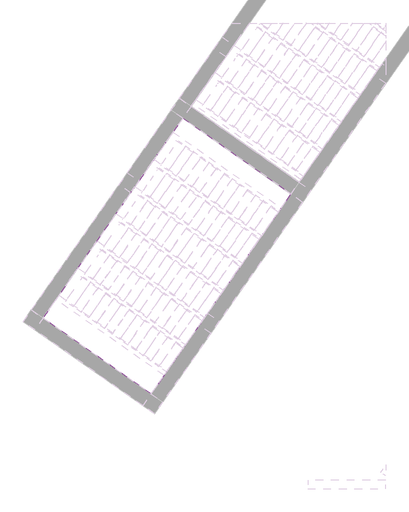
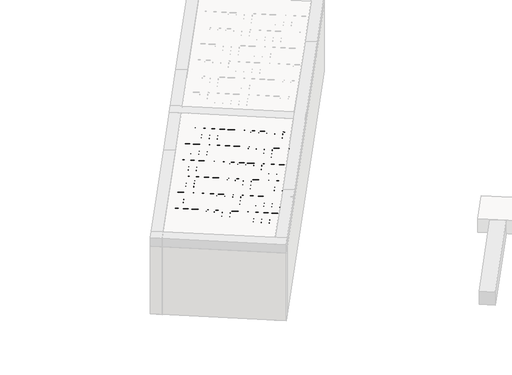
# One storey, part 2 of 6: 1 slab.
"""IFC4 building model written with IfcOpenShell, lengths in millimetres."""

from ifc_helpers import new_model, si_unit, frame, origin, place, context, project, spatial, polyline, outline, extrude, element, save

model = new_model("IFC4")

# Units and contexts
model_context = context("Model", 3, world=origin())
ifc_project = project(units=[si_unit("LENGTHUNIT", "METRE", prefix="MILLI")], contexts=[model_context])

# Site, building, storey
site = spatial("IfcSite", under=ifc_project)
building = spatial("IfcBuilding", under=site)
storey = spatial("IfcBuildingStorey", under=building, Elevation=93640.0)

# Slab
placement = place(None, origin())
element("IfcSlab", 1, at=placement, inside=storey, context=model_context, shape_type="SweptSolid", body=[
    extrude(outline(polyline([(29.5013912, 47.0318266), (24.7445699, 43.4584287), (22.859371, 37.8155084), (21.5, -28.884294), (35.0000001, -58.884294), (35.0000001, -88.884294), (30.0, -93.884294), (-29.9999999, -93.884294), (-34.9999999, -88.884294), (-34.9999999, -58.884294), (-21.4999999, -28.884294), (-22.859371, 37.8155084), (-24.7445697, 43.4584287), (-29.5013912, 47.0318266), (-55.0, 56.115706), (-55.0, 86.115706), (55.0, 86.115706), (55.0, 56.115706), (29.5013912, 47.0318266)])), frame((1222.726653, 1208.5119151, 95776.115706), z_axis=(-0.8191520442696125, 0.5735764363787225, 0.0), x_axis=(0.5735764363787225, 0.8191520442696125, 0.0)), (0.0, 0.0, 1.0), 2784.44855),
    extrude(outline(polyline([(29.5013912, 47.0318266), (24.7445698, 43.4584287), (22.859371, 37.8155084), (21.5, -28.884294), (35.0, -58.884294), (35.0, -88.884294), (30.0, -93.884294), (-30.0, -93.884294), (-35.0000001, -88.884294), (-35.0000001, -58.884294), (-21.5, -28.884294), (-22.859371, 37.8155084), (-24.7445699, 43.4584287), (-29.5013912, 47.0318266), (-55.0, 56.115706), (-55.0, 86.115706), (55.0, 86.115706), (55.0, 56.115706), (29.5013912, 47.0318266)])), frame((1624.2301585, 1781.9183461, 95776.115706), z_axis=(-0.8191520442696125, 0.5735764363787225, 0.0), x_axis=(0.5735764363787225, 0.8191520442696125, 0.0)), (0.0, 0.0, 1.0), 2784.44855),
    extrude(outline(polyline([(29.5013912, 47.0318266), (24.7445698, 43.4584287), (22.8593709, 37.8155084), (21.5, -28.884294), (34.9999999, -58.884294), (34.9999999, -88.884294), (30.0, -93.884294), (-30.0, -93.884294), (-35.0000001, -88.884294), (-35.0000001, -58.884294), (-21.5, -28.884294), (-22.859371, 37.8155084), (-24.7445699, 43.4584287), (-29.5013913, 47.0318266), (-55.0000001, 56.115706), (-55.0000001, 86.115706), (55.0, 86.115706), (55.0, 56.115706), (29.5013912, 47.0318266)])), frame((2025.733664, 2355.3247771, 95776.115706), z_axis=(-0.8191520442696125, 0.5735764363787225, 0.0), x_axis=(0.5735764363787225, 0.8191520442696125, 0.0)), (0.0, 0.0, 1.0), 2784.44855),
    extrude(outline(polyline([(29.5013912, 47.0318266), (24.7445698, 43.4584287), (22.859371, 37.8155084), (21.5, -28.884294), (35.0, -58.884294), (35.0, -88.884294), (30.0, -93.884294), (-30.0000001, -93.884294), (-35.0, -88.884294), (-35.0, -58.884294), (-21.5, -28.884294), (-22.859371, 37.8155084), (-24.7445698, 43.4584287), (-29.5013913, 47.0318266), (-55.0000001, 56.115706), (-55.0000001, 86.115706), (55.0, 86.115706), (55.0, 56.115706), (29.5013912, 47.0318266)])), frame((2427.2371694, 2928.7312081, 95776.115706), z_axis=(-0.8191520442696125, 0.5735764363787225, 0.0), x_axis=(0.5735764363787225, 0.8191520442696125, 0.0)), (0.0, 0.0, 1.0), 2784.44855),
    extrude(outline(polyline([(29.5013912, 47.0318266), (24.7445698, 43.4584287), (22.8593709, 37.8155084), (21.5, -28.884294), (35.0, -58.884294), (35.0, -88.884294), (30.0, -93.884294), (-30.0000001, -93.884294), (-35.0000001, -88.884294), (-35.0000001, -58.884294), (-21.5, -28.884294), (-22.859371, 37.8155084), (-24.7445699, 43.4584287), (-29.5013913, 47.0318266), (-55.0000001, 56.115706), (-55.0000001, 86.115706), (55.0, 86.115706), (55.0, 56.115706), (29.5013912, 47.0318266)])), frame((2828.7406749, 3502.1376391, 95776.115706), z_axis=(-0.8191520442696125, 0.5735764363787225, 0.0), x_axis=(0.5735764363787225, 0.8191520442696125, 0.0)), (0.0, 0.0, 1.0), 2784.44855),
    extrude(outline(polyline([(29.5013912, 47.0318266), (24.7445697, 43.4584287), (22.8593709, 37.8155084), (21.5, -28.884294), (34.9999999, -58.884294), (34.9999999, -88.884294), (30.0, -93.884294), (-30.0000001, -93.884294), (-35.0000001, -88.884294), (-35.0000001, -58.884294), (-21.5, -28.884294), (-22.859371, 37.8155084), (-24.7445699, 43.4584287), (-29.5013913, 47.0318266), (-55.0000001, 56.115706), (-55.0000001, 86.115706), (55.0, 86.115706), (55.0, 56.115706), (29.5013912, 47.0318266)])), frame((3230.2441804, 4075.5440701, 95776.115706), z_axis=(-0.8191520442696125, 0.5735764363787225, 0.0), x_axis=(0.5735764363787225, 0.8191520442696125, 0.0)), (0.0, 0.0, 1.0), 2784.44855),
    extrude(outline(polyline([(29.5013913, 47.0318266), (24.7445699, 43.4584287), (22.859371, 37.8155084), (21.5, -28.884294), (35.0000001, -58.884294), (35.0000001, -88.884294), (30.0000001, -93.884294), (-30.0, -93.884294), (-34.9999999, -88.884294), (-34.9999999, -58.884294), (-21.4999999, -28.884294), (-22.8593709, 37.8155084), (-24.7445697, 43.4584287), (-29.5013912, 47.0318266), (-55.0, 56.115706), (-55.0, 86.115706), (55.0000001, 86.115706), (55.0000001, 56.115706), (29.5013913, 47.0318266)])), frame((3631.7476858, 4648.950501, 95776.115706), z_axis=(-0.8191520442696125, 0.5735764363787225, 0.0), x_axis=(0.5735764363787225, 0.8191520442696125, 0.0)), (0.0, 0.0, 1.0), 2784.44855),
    extrude(outline(polyline([(488.0726392, 5013.8551515), (660.1455701, 5259.6007648), (1588.895185, 6585.992676), (3869.7819069, 4988.8985994), (2107.736694, 2472.437241), (1935.6637631, 2226.6916277), (918.0402288, 773.3746057), (-1362.8464931, 2370.4686823), (488.0726392, 5013.8551515)])), frame((0.0, 0.0, 95690.0), z_axis=(0.0, 0.0, 1.0), x_axis=(1.0, 0.0, 0.0)), (0.0, 0.0, 1.0), 250.0),
    extrude(outline(polyline([(-295.0000001, 58.1660714), (-295.0000001, 89.9723214), (295.0, 89.9723214), (295.0, 58.1660714), (318.0, 49.9723214), (318.0, 29.9723214), (277.0, -18.0276786), (256.0, -100.0276786), (240.0, -110.0276786), (-240.0, -110.0276786), (-256.0, -100.0276786), (-277.0, -18.0276786), (-318.0, 29.9723214), (-318.0, 49.9723214), (-295.0000001, 58.1660714)])), frame((1423.4784058, 1495.2151306, 95778.1660714), z_axis=(-0.8191520442696126, 0.5735764363787226, 0.0), x_axis=(0.5735764363787226, 0.8191520442696126, 0.0)), (0.0, 0.0, 1.0), 195.0),
    extrude(outline(polyline([(-295.0, 58.1660714), (-295.0, 89.9723214), (295.0, 89.9723214), (295.0, 58.1660714), (318.0, 49.9723214), (318.0, 29.9723214), (277.0, -18.0276786), (256.0, -100.0276786), (240.0, -110.0276786), (-240.0, -110.0276786), (-256.0, -100.0276786), (-277.0, -18.0276786), (-318.0, 29.9723214), (-318.0, 49.9723214), (-295.0, 58.1660714)])), frame((1259.6479969, 1609.9304179, 95778.1660714), z_axis=(-0.8191520442696126, 0.5735764363787226, 0.0), x_axis=(0.5735764363787226, 0.8191520442696126, 0.0)), (0.0, 0.0, 1.0), 195.0),
    extrude(outline(polyline([(-295.0000001, 58.1660714), (-295.0000001, 89.9723214), (294.9999999, 89.9723214), (294.9999999, 58.1660714), (317.9999999, 49.9723214), (317.9999999, 29.9723214), (276.9999999, -18.0276786), (256.0, -100.0276786), (240.0, -110.0276786), (-240.0000001, -110.0276786), (-256.0, -100.0276786), (-277.0, -18.0276786), (-318.0, 29.9723214), (-318.0, 49.9723214), (-295.0000001, 58.1660714)])), frame((1095.8175881, 1724.6457052, 95778.1660714), z_axis=(-0.8191520442696126, 0.5735764363787226, 0.0), x_axis=(0.5735764363787226, 0.8191520442696126, 0.0)), (0.0, 0.0, 1.0), 195.0),
    extrude(outline(polyline([(-294.9999999, 58.1660714), (-294.9999999, 89.9723214), (295.0, 89.9723214), (295.0, 58.1660714), (318.0, 49.9723214), (318.0, 29.9723214), (277.0, -18.0276786), (256.0, -100.0276786), (240.0, -110.0276786), (-240.0, -110.0276786), (-256.0, -100.0276786), (-277.0, -18.0276786), (-318.0, 29.9723214), (-318.0, 49.9723214), (-294.9999999, 58.1660714)])), frame((931.9871792, 1839.3609924, 95778.1660714), z_axis=(-0.8191520442696126, 0.5735764363787226, 0.0), x_axis=(0.5735764363787226, 0.8191520442696126, 0.0)), (0.0, 0.0, 1.0), 195.0),
    extrude(outline(polyline([(-295.0000001, 58.1660714), (-295.0000001, 89.9723214), (295.0, 89.9723214), (295.0, 58.1660714), (318.0, 49.9723214), (318.0, 29.9723214), (277.0, -18.0276786), (256.0, -100.0276786), (240.0, -110.0276786), (-240.0, -110.0276786), (-256.0, -100.0276786), (-277.0, -18.0276786), (-318.0, 29.9723214), (-318.0, 49.9723214), (-295.0000001, 58.1660714)])), frame((768.1567704, 1954.0762797, 95778.1660714), z_axis=(-0.8191520442696126, 0.5735764363787226, 0.0), x_axis=(0.5735764363787226, 0.8191520442696126, 0.0)), (0.0, 0.0, 1.0), 195.0),
    extrude(outline(polyline([(-295.0, 58.1660714), (-295.0, 89.9723214), (294.9999999, 89.9723214), (294.9999999, 58.1660714), (318.0, 49.9723214), (318.0, 29.9723214), (277.0, -18.0276786), (256.0, -100.0276786), (240.0, -110.0276786), (-240.0, -110.0276786), (-256.0, -100.0276786), (-277.0, -18.0276786), (-318.0, 29.9723214), (-318.0, 49.9723214), (-295.0, 58.1660714)])), frame((604.3263615, 2068.791567, 95778.1660714), z_axis=(-0.8191520442696126, 0.5735764363787226, 0.0), x_axis=(0.5735764363787226, 0.8191520442696126, 0.0)), (0.0, 0.0, 1.0), 195.0),
    extrude(outline(polyline([(-295.0000001, 58.1660714), (-295.0000001, 89.9723214), (294.9999999, 89.9723214), (294.9999999, 58.1660714), (317.9999999, 49.9723214), (317.9999999, 29.9723214), (276.9999999, -18.0276786), (256.0, -100.0276786), (240.0, -110.0276786), (-240.0000001, -110.0276786), (-256.0000001, -100.0276786), (-277.0, -18.0276786), (-318.0, 29.9723214), (-318.0, 49.9723214), (-295.0000001, 58.1660714)])), frame((440.4959527, 2183.5068543, 95778.1660714), z_axis=(-0.8191520442696126, 0.5735764363787226, 0.0), x_axis=(0.5735764363787226, 0.8191520442696126, 0.0)), (0.0, 0.0, 1.0), 195.0),
    extrude(outline(polyline([(-294.9999999, 58.1660714), (-294.9999999, 89.9723214), (295.0, 89.9723214), (295.0, 58.1660714), (318.0, 49.9723214), (318.0, 29.9723214), (277.0, -18.0276786), (256.0, -100.0276786), (240.0, -110.0276786), (-240.0, -110.0276786), (-256.0, -100.0276786), (-277.0, -18.0276786), (-318.0, 29.9723214), (-318.0, 49.9723214), (-294.9999999, 58.1660714)])), frame((276.6655438, 2298.2221415, 95778.1660714), z_axis=(-0.8191520442696126, 0.5735764363787226, 0.0), x_axis=(0.5735764363787226, 0.8191520442696126, 0.0)), (0.0, 0.0, 1.0), 195.0),
    extrude(outline(polyline([(-295.0, 58.1660714), (-295.0, 89.9723214), (295.0000001, 89.9723214), (295.0000001, 58.1660714), (318.0, 49.9723214), (318.0, 29.9723214), (277.0, -18.0276786), (256.0, -100.0276786), (240.0, -110.0276786), (-240.0, -110.0276786), (-256.0, -100.0276786), (-277.0, -18.0276786), (-318.0, 29.9723214), (-318.0, 49.9723214), (-295.0, 58.1660714)])), frame((112.8351349, 2412.9374288, 95778.1660714), z_axis=(-0.8191520442696126, 0.5735764363787226, 0.0), x_axis=(0.5735764363787226, 0.8191520442696126, 0.0)), (0.0, 0.0, 1.0), 195.0),
    extrude(outline(polyline([(-295.0, 58.1660714), (-295.0, 89.9723214), (294.9999999, 89.9723214), (294.9999999, 58.1660714), (318.0, 49.9723214), (318.0, 29.9723214), (277.0, -18.0276786), (256.0, -100.0276786), (240.0, -110.0276786), (-240.0, -110.0276786), (-256.0, -100.0276786), (-277.0, -18.0276786), (-318.0, 29.9723214), (-318.0, 49.9723214), (-295.0, 58.1660714)])), frame((-50.9952739, 2527.6527161, 95778.1660714), z_axis=(-0.8191520442696126, 0.5735764363787226, 0.0), x_axis=(0.5735764363787226, 0.8191520442696126, 0.0)), (0.0, 0.0, 1.0), 195.0),
    extrude(outline(polyline([(-295.0, 58.1660714), (-295.0, 89.9723214), (295.0, 89.9723214), (295.0, 58.1660714), (318.0, 49.9723214), (318.0, 29.9723214), (277.0, -18.0276786), (256.0, -100.0276786), (240.0, -110.0276786), (-240.0, -110.0276786), (-256.0, -100.0276786), (-277.0, -18.0276786), (-318.0, 29.9723214), (-318.0, 49.9723214), (-295.0, 58.1660714)])), frame((-214.8256828, 2642.3680034, 95778.1660714), z_axis=(-0.8191520442696126, 0.5735764363787226, 0.0), x_axis=(0.5735764363787226, 0.8191520442696126, 0.0)), (0.0, 0.0, 1.0), 195.0),
    extrude(outline(polyline([(-294.9999999, 58.1660714), (-294.9999999, 89.9723214), (295.0, 89.9723214), (295.0, 58.1660714), (318.0, 49.9723214), (318.0, 29.9723214), (277.0, -18.0276786), (256.0, -100.0276786), (240.0, -110.0276786), (-240.0, -110.0276786), (-256.0, -100.0276786), (-277.0, -18.0276786), (-318.0, 29.9723214), (-318.0, 49.9723214), (-294.9999999, 58.1660714)])), frame((-378.6560916, 2757.0832906, 95778.1660714), z_axis=(-0.8191520442696126, 0.5735764363787226, 0.0), x_axis=(0.5735764363787226, 0.8191520442696126, 0.0)), (0.0, 0.0, 1.0), 195.0),
    extrude(outline(polyline([(-294.9999999, 58.1660714), (-294.9999999, 89.9723214), (295.0000001, 89.9723214), (295.0000001, 58.1660714), (318.0, 49.9723214), (318.0, 29.9723214), (277.0, -18.0276786), (256.0, -100.0276786), (240.0, -110.0276786), (-240.0, -110.0276786), (-256.0, -100.0276786), (-277.0, -18.0276786), (-318.0, 29.9723214), (-318.0, 49.9723214), (-294.9999999, 58.1660714)])), frame((-542.4865005, 2871.7985779, 95778.1660714), z_axis=(-0.8191520442696126, 0.5735764363787226, 0.0), x_axis=(0.5735764363787226, 0.8191520442696126, 0.0)), (0.0, 0.0, 1.0), 195.0),
    extrude(outline(polyline([(-295.0, 58.1660714), (-295.0, 89.9723214), (295.0, 89.9723214), (295.0, 58.1660714), (318.0, 49.9723214), (318.0, 29.9723214), (277.0, -18.0276786), (256.0, -100.0276786), (240.0, -110.0276786), (-240.0, -110.0276786), (-256.0, -100.0276786), (-277.0, -18.0276786), (-318.0, 29.9723214), (-318.0, 49.9723214), (-295.0, 58.1660714)])), frame((1824.9819112, 2068.6215616, 95778.1660714), z_axis=(-0.8191520442696126, 0.5735764363787226, 0.0), x_axis=(0.5735764363787226, 0.8191520442696126, 0.0)), (0.0, 0.0, 1.0), 195.0),
    extrude(outline(polyline([(-295.0, 58.1660714), (-295.0, 89.9723214), (294.9999999, 89.9723214), (294.9999999, 58.1660714), (318.0, 49.9723214), (318.0, 29.9723214), (277.0, -18.0276786), (256.0, -100.0276786), (240.0, -110.0276786), (-240.0, -110.0276786), (-256.0, -100.0276786), (-277.0, -18.0276786), (-318.0, 29.9723214), (-318.0, 49.9723214), (-295.0, 58.1660714)])), frame((1661.1515024, 2183.3368489, 95778.1660714), z_axis=(-0.8191520442696126, 0.5735764363787226, 0.0), x_axis=(0.5735764363787226, 0.8191520442696126, 0.0)), (0.0, 0.0, 1.0), 195.0),
    extrude(outline(polyline([(-294.9999999, 58.1660714), (-294.9999999, 89.9723214), (295.0000001, 89.9723214), (295.0000001, 58.1660714), (318.0, 49.9723214), (318.0, 29.9723214), (277.0, -18.0276786), (256.0, -100.0276786), (240.0000001, -110.0276786), (-240.0, -110.0276786), (-256.0, -100.0276786), (-276.9999999, -18.0276786), (-317.9999999, 29.9723214), (-317.9999999, 49.9723214), (-294.9999999, 58.1660714)])), frame((1497.3210935, 2298.0521361, 95778.1660714), z_axis=(-0.8191520442696126, 0.5735764363787226, 0.0), x_axis=(0.5735764363787226, 0.8191520442696126, 0.0)), (0.0, 0.0, 1.0), 195.0),
    extrude(outline(polyline([(-295.0, 58.1660714), (-295.0, 89.9723214), (295.0, 89.9723214), (295.0, 58.1660714), (318.0, 49.9723214), (318.0, 29.9723214), (277.0, -18.0276786), (256.0, -100.0276786), (240.0, -110.0276786), (-240.0, -110.0276786), (-256.0, -100.0276786), (-277.0, -18.0276786), (-318.0, 29.9723214), (-318.0, 49.9723214), (-295.0, 58.1660714)])), frame((1333.4906847, 2412.7674234, 95778.1660714), z_axis=(-0.8191520442696126, 0.5735764363787226, 0.0), x_axis=(0.5735764363787226, 0.8191520442696126, 0.0)), (0.0, 0.0, 1.0), 195.0),
    extrude(outline(polyline([(-295.0, 58.1660714), (-295.0, 89.9723214), (295.0000001, 89.9723214), (295.0000001, 58.1660714), (318.0, 49.9723214), (318.0, 29.9723214), (277.0, -18.0276786), (256.0, -100.0276786), (240.0, -110.0276786), (-240.0, -110.0276786), (-256.0, -100.0276786), (-277.0, -18.0276786), (-318.0, 29.9723214), (-318.0, 49.9723214), (-295.0, 58.1660714)])), frame((1169.6602758, 2527.4827107, 95778.1660714), z_axis=(-0.8191520442696126, 0.5735764363787226, 0.0), x_axis=(0.5735764363787226, 0.8191520442696126, 0.0)), (0.0, 0.0, 1.0), 195.0),
    extrude(outline(polyline([(-295.0000001, 58.1660714), (-295.0000001, 89.9723214), (294.9999999, 89.9723214), (294.9999999, 58.1660714), (317.9999999, 49.9723214), (317.9999999, 29.9723214), (276.9999999, -18.0276786), (256.0, -100.0276786), (240.0, -110.0276786), (-240.0000001, -110.0276786), (-256.0, -100.0276786), (-277.0, -18.0276786), (-318.0, 29.9723214), (-318.0, 49.9723214), (-295.0000001, 58.1660714)])), frame((1005.829867, 2642.197998, 95778.1660714), z_axis=(-0.8191520442696126, 0.5735764363787226, 0.0), x_axis=(0.5735764363787226, 0.8191520442696126, 0.0)), (0.0, 0.0, 1.0), 195.0),
    extrude(outline(polyline([(-294.9999999, 58.1660714), (-294.9999999, 89.9723214), (295.0000001, 89.9723214), (295.0000001, 58.1660714), (318.0, 49.9723214), (318.0, 29.9723214), (277.0, -18.0276786), (256.0, -100.0276786), (240.0, -110.0276786), (-240.0, -110.0276786), (-256.0, -100.0276786), (-277.0, -18.0276786), (-317.9999999, 29.9723214), (-317.9999999, 49.9723214), (-294.9999999, 58.1660714)])), frame((841.9994581, 2756.9132852, 95778.1660714), z_axis=(-0.8191520442696126, 0.5735764363787226, 0.0), x_axis=(0.5735764363787226, 0.8191520442696126, 0.0)), (0.0, 0.0, 1.0), 195.0),
    extrude(outline(polyline([(-295.0, 58.1660714), (-295.0, 89.9723214), (295.0, 89.9723214), (295.0, 58.1660714), (318.0, 49.9723214), (318.0, 29.9723214), (277.0, -18.0276786), (256.0, -100.0276786), (240.0, -110.0276786), (-240.0, -110.0276786), (-256.0, -100.0276786), (-277.0, -18.0276786), (-318.0, 29.9723214), (-318.0, 49.9723214), (-295.0, 58.1660714)])), frame((678.1690493, 2871.6285725, 95778.1660714), z_axis=(-0.8191520442696126, 0.5735764363787226, 0.0), x_axis=(0.5735764363787226, 0.8191520442696126, 0.0)), (0.0, 0.0, 1.0), 195.0),
    extrude(outline(polyline([(-295.0, 58.1660714), (-295.0, 89.9723214), (295.0, 89.9723214), (295.0, 58.1660714), (318.0, 49.9723214), (318.0, 29.9723214), (277.0, -18.0276786), (256.0, -100.0276786), (240.0, -110.0276786), (-240.0, -110.0276786), (-256.0, -100.0276786), (-277.0, -18.0276786), (-318.0, 29.9723214), (-318.0, 49.9723214), (-295.0, 58.1660714)])), frame((514.3386404, 2986.3438598, 95778.1660714), z_axis=(-0.8191520442696126, 0.5735764363787226, 0.0), x_axis=(0.5735764363787226, 0.8191520442696126, 0.0)), (0.0, 0.0, 1.0), 195.0),
    extrude(outline(polyline([(-295.0000001, 58.1660714), (-295.0000001, 89.9723214), (294.9999999, 89.9723214), (294.9999999, 58.1660714), (317.9999999, 49.9723214), (317.9999999, 29.9723214), (276.9999999, -18.0276786), (256.0, -100.0276786), (240.0, -110.0276786), (-240.0000001, -110.0276786), (-256.0000001, -100.0276786), (-277.0, -18.0276786), (-318.0, 29.9723214), (-318.0, 49.9723214), (-295.0000001, 58.1660714)])), frame((350.5082316, 3101.0591471, 95778.1660714), z_axis=(-0.8191520442696126, 0.5735764363787226, 0.0), x_axis=(0.5735764363787226, 0.8191520442696126, 0.0)), (0.0, 0.0, 1.0), 195.0),
    extrude(outline(polyline([(-294.9999999, 58.1660714), (-294.9999999, 89.9723214), (295.0, 89.9723214), (295.0, 58.1660714), (318.0, 49.9723214), (318.0, 29.9723214), (277.0, -18.0276786), (256.0, -100.0276786), (240.0, -110.0276786), (-240.0, -110.0276786), (-256.0, -100.0276786), (-277.0, -18.0276786), (-318.0, 29.9723214), (-318.0, 49.9723214), (-294.9999999, 58.1660714)])), frame((186.6778227, 3215.7744343, 95778.1660714), z_axis=(-0.8191520442696126, 0.5735764363787226, 0.0), x_axis=(0.5735764363787226, 0.8191520442696126, 0.0)), (0.0, 0.0, 1.0), 195.0),
    extrude(outline(polyline([(-294.9999999, 58.1660714), (-294.9999999, 89.9723214), (295.0000001, 89.9723214), (295.0000001, 58.1660714), (318.0, 49.9723214), (318.0, 29.9723214), (277.0, -18.0276786), (256.0000001, -100.0276786), (240.0, -110.0276786), (-240.0, -110.0276786), (-256.0, -100.0276786), (-276.9999999, -18.0276786), (-318.0, 29.9723214), (-318.0, 49.9723214), (-294.9999999, 58.1660714)])), frame((22.8474138, 3330.4897216, 95778.1660714), z_axis=(-0.8191520442696126, 0.5735764363787226, 0.0), x_axis=(0.5735764363787226, 0.8191520442696126, 0.0)), (0.0, 0.0, 1.0), 195.0),
    extrude(outline(polyline([(-295.0, 58.1660714), (-295.0, 89.9723214), (295.0, 89.9723214), (295.0, 58.1660714), (318.0, 49.9723214), (318.0, 29.9723214), (277.0, -18.0276786), (256.0, -100.0276786), (240.0, -110.0276786), (-240.0, -110.0276786), (-256.0, -100.0276786), (-277.0, -18.0276786), (-318.0, 29.9723214), (-318.0, 49.9723214), (-295.0, 58.1660714)])), frame((-140.982995, 3445.2050089, 95778.1660714), z_axis=(-0.8191520442696126, 0.5735764363787226, 0.0), x_axis=(0.5735764363787226, 0.8191520442696126, 0.0)), (0.0, 0.0, 1.0), 195.0),
    extrude(outline(polyline([(-295.0, 58.1660714), (-295.0, 89.9723214), (294.9999999, 89.9723214), (294.9999999, 58.1660714), (318.0, 49.9723214), (318.0, 29.9723214), (277.0, -18.0276786), (256.0, -100.0276786), (240.0, -110.0276786), (-240.0, -110.0276786), (-256.0, -100.0276786), (-277.0, -18.0276786), (-318.0, 29.9723214), (-318.0, 49.9723214), (-295.0, 58.1660714)])), frame((2226.4854167, 2642.0279926, 95778.1660714), z_axis=(-0.8191520442696126, 0.5735764363787226, 0.0), x_axis=(0.5735764363787226, 0.8191520442696126, 0.0)), (0.0, 0.0, 1.0), 195.0),
    extrude(outline(polyline([(-295.0000001, 58.1660714), (-295.0000001, 89.9723214), (294.9999999, 89.9723214), (294.9999999, 58.1660714), (317.9999999, 49.9723214), (317.9999999, 29.9723214), (276.9999999, -18.0276786), (256.0, -100.0276786), (240.0, -110.0276786), (-240.0000001, -110.0276786), (-256.0000001, -100.0276786), (-277.0, -18.0276786), (-318.0, 29.9723214), (-318.0, 49.9723214), (-295.0000001, 58.1660714)])), frame((2062.6550079, 2756.7432799, 95778.1660714), z_axis=(-0.8191520442696126, 0.5735764363787226, 0.0), x_axis=(0.5735764363787226, 0.8191520442696126, 0.0)), (0.0, 0.0, 1.0), 195.0),
    extrude(outline(polyline([(-294.9999999, 58.1660714), (-294.9999999, 89.9723214), (295.0, 89.9723214), (295.0, 58.1660714), (318.0, 49.9723214), (318.0, 29.9723214), (277.0, -18.0276786), (256.0, -100.0276786), (240.0, -110.0276786), (-240.0, -110.0276786), (-256.0, -100.0276786), (-277.0, -18.0276786), (-318.0, 29.9723214), (-318.0, 49.9723214), (-294.9999999, 58.1660714)])), frame((1898.824599, 2871.4585671, 95778.1660714), z_axis=(-0.8191520442696126, 0.5735764363787226, 0.0), x_axis=(0.5735764363787226, 0.8191520442696126, 0.0)), (0.0, 0.0, 1.0), 195.0),
    extrude(outline(polyline([(-295.0, 58.1660714), (-295.0, 89.9723214), (295.0000001, 89.9723214), (295.0000001, 58.1660714), (318.0, 49.9723214), (318.0, 29.9723214), (277.0, -18.0276786), (256.0, -100.0276786), (240.0, -110.0276786), (-240.0, -110.0276786), (-256.0, -100.0276786), (-277.0, -18.0276786), (-318.0, 29.9723214), (-318.0, 49.9723214), (-295.0, 58.1660714)])), frame((1734.9941901, 2986.1738544, 95778.1660714), z_axis=(-0.8191520442696126, 0.5735764363787226, 0.0), x_axis=(0.5735764363787226, 0.8191520442696126, 0.0)), (0.0, 0.0, 1.0), 195.0),
    extrude(outline(polyline([(-295.0, 58.1660714), (-295.0, 89.9723214), (294.9999999, 89.9723214), (294.9999999, 58.1660714), (318.0, 49.9723214), (318.0, 29.9723214), (277.0, -18.0276786), (256.0, -100.0276786), (240.0, -110.0276786), (-240.0, -110.0276786), (-256.0, -100.0276786), (-277.0, -18.0276786), (-318.0, 29.9723214), (-318.0, 49.9723214), (-295.0, 58.1660714)])), frame((1571.1637813, 3100.8891417, 95778.1660714), z_axis=(-0.8191520442696126, 0.5735764363787226, 0.0), x_axis=(0.5735764363787226, 0.8191520442696126, 0.0)), (0.0, 0.0, 1.0), 195.0),
    extrude(outline(polyline([(-295.0, 58.1660714), (-295.0, 89.9723214), (295.0, 89.9723214), (295.0, 58.1660714), (318.0, 49.9723214), (318.0, 29.9723214), (277.0, -18.0276786), (256.0, -100.0276786), (240.0, -110.0276786), (-240.0, -110.0276786), (-256.0, -100.0276786), (-277.0, -18.0276786), (-318.0, 29.9723214), (-318.0, 49.9723214), (-295.0, 58.1660714)])), frame((1407.3333724, 3215.604429, 95778.1660714), z_axis=(-0.8191520442696126, 0.5735764363787226, 0.0), x_axis=(0.5735764363787226, 0.8191520442696126, 0.0)), (0.0, 0.0, 1.0), 195.0),
    extrude(outline(polyline([(-294.9999999, 58.1660714), (-294.9999999, 89.9723214), (295.0, 89.9723214), (295.0, 58.1660714), (318.0, 49.9723214), (318.0, 29.9723214), (277.0, -18.0276786), (256.0, -100.0276786), (240.0, -110.0276786), (-240.0, -110.0276786), (-256.0, -100.0276786), (-277.0, -18.0276786), (-318.0, 29.9723214), (-318.0, 49.9723214), (-294.9999999, 58.1660714)])), frame((1243.5029636, 3330.3197162, 95778.1660714), z_axis=(-0.8191520442696126, 0.5735764363787226, 0.0), x_axis=(0.5735764363787226, 0.8191520442696126, 0.0)), (0.0, 0.0, 1.0), 195.0),
    extrude(outline(polyline([(-295.0, 58.1660714), (-295.0, 89.9723214), (295.0000001, 89.9723214), (295.0000001, 58.1660714), (318.0, 49.9723214), (318.0, 29.9723214), (277.0, -18.0276786), (256.0, -100.0276786), (240.0, -110.0276786), (-240.0, -110.0276786), (-256.0, -100.0276786), (-277.0, -18.0276786), (-318.0, 29.9723214), (-318.0, 49.9723214), (-295.0, 58.1660714)])), frame((1079.6725547, 3445.0350035, 95778.1660714), z_axis=(-0.8191520442696126, 0.5735764363787226, 0.0), x_axis=(0.5735764363787226, 0.8191520442696126, 0.0)), (0.0, 0.0, 1.0), 195.0),
    extrude(outline(polyline([(-295.0000001, 58.1660714), (-295.0000001, 89.9723214), (294.9999999, 89.9723214), (294.9999999, 58.1660714), (318.0, 49.9723214), (318.0, 29.9723214), (277.0, -18.0276786), (256.0, -100.0276786), (240.0, -110.0276786), (-240.0, -110.0276786), (-256.0, -100.0276786), (-277.0, -18.0276786), (-318.0, 29.9723214), (-318.0, 49.9723214), (-295.0000001, 58.1660714)])), frame((915.8421459, 3559.7502908, 95778.1660714), z_axis=(-0.8191520442696126, 0.5735764363787226, 0.0), x_axis=(0.5735764363787226, 0.8191520442696126, 0.0)), (0.0, 0.0, 1.0), 195.0),
    extrude(outline(polyline([(-295.0, 58.1660714), (-295.0, 89.9723214), (295.0, 89.9723214), (295.0, 58.1660714), (318.0, 49.9723214), (318.0, 29.9723214), (277.0, -18.0276786), (256.0, -100.0276786), (240.0, -110.0276786), (-240.0, -110.0276786), (-256.0, -100.0276786), (-277.0, -18.0276786), (-318.0, 29.9723214), (-318.0, 49.9723214), (-295.0, 58.1660714)])), frame((752.011737, 3674.4655781, 95778.1660714), z_axis=(-0.8191520442696126, 0.5735764363787226, 0.0), x_axis=(0.5735764363787226, 0.8191520442696126, 0.0)), (0.0, 0.0, 1.0), 195.0),
    extrude(outline(polyline([(-295.0, 58.1660714), (-295.0, 89.9723214), (295.0, 89.9723214), (295.0, 58.1660714), (318.0, 49.9723214), (318.0, 29.9723214), (277.0, -18.0276786), (256.0, -100.0276786), (240.0, -110.0276786), (-240.0, -110.0276786), (-256.0, -100.0276786), (-277.0, -18.0276786), (-318.0, 29.9723214), (-318.0, 49.9723214), (-295.0, 58.1660714)])), frame((588.1813282, 3789.1808653, 95778.1660714), z_axis=(-0.8191520442696126, 0.5735764363787226, 0.0), x_axis=(0.5735764363787226, 0.8191520442696126, 0.0)), (0.0, 0.0, 1.0), 195.0),
    extrude(outline(polyline([(-294.9999999, 58.1660714), (-294.9999999, 89.9723214), (295.0, 89.9723214), (295.0, 58.1660714), (318.0, 49.9723214), (318.0, 29.9723214), (277.0, -18.0276786), (256.0, -100.0276786), (240.0, -110.0276786), (-240.0, -110.0276786), (-256.0, -100.0276786), (-277.0, -18.0276786), (-318.0, 29.9723214), (-318.0, 49.9723214), (-294.9999999, 58.1660714)])), frame((424.3509193, 3903.8961526, 95778.1660714), z_axis=(-0.8191520442696126, 0.5735764363787226, 0.0), x_axis=(0.5735764363787226, 0.8191520442696126, 0.0)), (0.0, 0.0, 1.0), 195.0),
    extrude(outline(polyline([(-295.0000001, 58.1660714), (-295.0000001, 89.9723214), (294.9999999, 89.9723214), (294.9999999, 58.1660714), (318.0, 49.9723214), (318.0, 29.9723214), (277.0, -18.0276786), (256.0, -100.0276786), (240.0, -110.0276786), (-240.0, -110.0276786), (-256.0, -100.0276786), (-277.0, -18.0276786), (-318.0, 29.9723214), (-318.0, 49.9723214), (-295.0000001, 58.1660714)])), frame((260.5205105, 4018.6114399, 95778.1660714), z_axis=(-0.8191520442696126, 0.5735764363787226, 0.0), x_axis=(0.5735764363787226, 0.8191520442696126, 0.0)), (0.0, 0.0, 1.0), 195.0),
    extrude(outline(polyline([(-295.0000001, 58.1660714), (-295.0000001, 89.9723214), (294.9999999, 89.9723214), (294.9999999, 58.1660714), (317.9999999, 49.9723214), (317.9999999, 29.9723214), (276.9999999, -18.0276786), (256.0, -100.0276786), (240.0, -110.0276786), (-240.0000001, -110.0276786), (-256.0, -100.0276786), (-277.0, -18.0276786), (-318.0, 29.9723214), (-318.0, 49.9723214), (-295.0000001, 58.1660714)])), frame((2627.9889222, 3215.4344236, 95778.1660714), z_axis=(-0.8191520442696126, 0.5735764363787226, 0.0), x_axis=(0.5735764363787226, 0.8191520442696126, 0.0)), (0.0, 0.0, 1.0), 195.0),
    extrude(outline(polyline([(-294.9999999, 58.1660714), (-294.9999999, 89.9723214), (295.0000001, 89.9723214), (295.0000001, 58.1660714), (318.0, 49.9723214), (318.0, 29.9723214), (277.0, -18.0276786), (256.0, -100.0276786), (240.0, -110.0276786), (-240.0, -110.0276786), (-256.0, -100.0276786), (-277.0, -18.0276786), (-317.9999999, 29.9723214), (-317.9999999, 49.9723214), (-294.9999999, 58.1660714)])), frame((2464.1585133, 3330.1497108, 95778.1660714), z_axis=(-0.8191520442696126, 0.5735764363787226, 0.0), x_axis=(0.5735764363787226, 0.8191520442696126, 0.0)), (0.0, 0.0, 1.0), 195.0),
    extrude(outline(polyline([(-295.0, 58.1660714), (-295.0, 89.9723214), (295.0, 89.9723214), (295.0, 58.1660714), (318.0, 49.9723214), (318.0, 29.9723214), (277.0, -18.0276786), (256.0, -100.0276786), (240.0, -110.0276786), (-240.0, -110.0276786), (-256.0, -100.0276786), (-277.0, -18.0276786), (-318.0, 29.9723214), (-318.0, 49.9723214), (-295.0, 58.1660714)])), frame((2300.3281045, 3444.8649981, 95778.1660714), z_axis=(-0.8191520442696126, 0.5735764363787226, 0.0), x_axis=(0.5735764363787226, 0.8191520442696126, 0.0)), (0.0, 0.0, 1.0), 195.0),
    extrude(outline(polyline([(-295.0, 58.1660714), (-295.0, 89.9723214), (295.0, 89.9723214), (295.0, 58.1660714), (318.0, 49.9723214), (318.0, 29.9723214), (277.0, -18.0276786), (256.0, -100.0276786), (240.0, -110.0276786), (-240.0, -110.0276786), (-256.0, -100.0276786), (-277.0, -18.0276786), (-318.0, 29.9723214), (-318.0, 49.9723214), (-295.0, 58.1660714)])), frame((2136.4976956, 3559.5802854, 95778.1660714), z_axis=(-0.8191520442696126, 0.5735764363787226, 0.0), x_axis=(0.5735764363787226, 0.8191520442696126, 0.0)), (0.0, 0.0, 1.0), 195.0),
    extrude(outline(polyline([(-295.0000001, 58.1660714), (-295.0000001, 89.9723214), (294.9999999, 89.9723214), (294.9999999, 58.1660714), (317.9999999, 49.9723214), (317.9999999, 29.9723214), (276.9999999, -18.0276786), (256.0, -100.0276786), (240.0, -110.0276786), (-240.0000001, -110.0276786), (-256.0000001, -100.0276786), (-277.0, -18.0276786), (-318.0, 29.9723214), (-318.0, 49.9723214), (-295.0000001, 58.1660714)])), frame((1972.6672868, 3674.2955727, 95778.1660714), z_axis=(-0.8191520442696126, 0.5735764363787226, 0.0), x_axis=(0.5735764363787226, 0.8191520442696126, 0.0)), (0.0, 0.0, 1.0), 195.0),
    extrude(outline(polyline([(-294.9999999, 58.1660714), (-294.9999999, 89.9723214), (295.0, 89.9723214), (295.0, 58.1660714), (318.0, 49.9723214), (318.0, 29.9723214), (277.0, -18.0276786), (256.0, -100.0276786), (240.0, -110.0276786), (-240.0, -110.0276786), (-256.0, -100.0276786), (-277.0, -18.0276786), (-318.0, 29.9723214), (-318.0, 49.9723214), (-294.9999999, 58.1660714)])), frame((1808.8368779, 3789.0108599, 95778.1660714), z_axis=(-0.8191520442696126, 0.5735764363787226, 0.0), x_axis=(0.5735764363787226, 0.8191520442696126, 0.0)), (0.0, 0.0, 1.0), 195.0),
    extrude(outline(polyline([(-294.9999999, 58.1660714), (-294.9999999, 89.9723214), (295.0000001, 89.9723214), (295.0000001, 58.1660714), (318.0, 49.9723214), (318.0, 29.9723214), (277.0, -18.0276786), (256.0000001, -100.0276786), (240.0, -110.0276786), (-240.0, -110.0276786), (-256.0, -100.0276786), (-276.9999999, -18.0276786), (-318.0, 29.9723214), (-318.0, 49.9723214), (-294.9999999, 58.1660714)])), frame((1645.006469, 3903.7261472, 95778.1660714), z_axis=(-0.8191520442696126, 0.5735764363787226, 0.0), x_axis=(0.5735764363787226, 0.8191520442696126, 0.0)), (0.0, 0.0, 1.0), 195.0),
    extrude(outline(polyline([(-295.0, 58.1660714), (-295.0, 89.9723214), (295.0, 89.9723214), (295.0, 58.1660714), (318.0, 49.9723214), (318.0, 29.9723214), (277.0, -18.0276786), (256.0, -100.0276786), (240.0, -110.0276786), (-240.0, -110.0276786), (-256.0, -100.0276786), (-277.0, -18.0276786), (-318.0, 29.9723214), (-318.0, 49.9723214), (-295.0, 58.1660714)])), frame((1481.1760602, 4018.4414345, 95778.1660714), z_axis=(-0.8191520442696126, 0.5735764363787226, 0.0), x_axis=(0.5735764363787226, 0.8191520442696126, 0.0)), (0.0, 0.0, 1.0), 195.0),
    extrude(outline(polyline([(-295.0, 58.1660714), (-295.0, 89.9723214), (295.0, 89.9723214), (295.0, 58.1660714), (318.0, 49.9723214), (318.0, 29.9723214), (277.0, -18.0276786), (256.0, -100.0276786), (240.0, -110.0276786), (-240.0, -110.0276786), (-256.0, -100.0276786), (-277.0, -18.0276786), (-318.0, 29.9723214), (-318.0, 49.9723214), (-295.0, 58.1660714)])), frame((1317.3456513, 4133.1567218, 95778.1660714), z_axis=(-0.8191520442696126, 0.5735764363787226, 0.0), x_axis=(0.5735764363787226, 0.8191520442696126, 0.0)), (0.0, 0.0, 1.0), 195.0),
    extrude(outline(polyline([(-294.9999999, 58.1660714), (-294.9999999, 89.9723214), (295.0, 89.9723214), (295.0, 58.1660714), (318.0, 49.9723214), (318.0, 29.9723214), (277.0, -18.0276786), (256.0, -100.0276786), (240.0, -110.0276786), (-240.0, -110.0276786), (-256.0, -100.0276786), (-277.0, -18.0276786), (-318.0, 29.9723214), (-318.0, 49.9723214), (-294.9999999, 58.1660714)])), frame((1153.5152425, 4247.872009, 95778.1660714), z_axis=(-0.8191520442696126, 0.5735764363787226, 0.0), x_axis=(0.5735764363787226, 0.8191520442696126, 0.0)), (0.0, 0.0, 1.0), 195.0),
    extrude(outline(polyline([(-294.9999999, 58.1660714), (-294.9999999, 89.9723214), (295.0000001, 89.9723214), (295.0000001, 58.1660714), (318.0, 49.9723214), (318.0, 29.9723214), (277.0, -18.0276786), (256.0, -100.0276786), (240.0, -110.0276786), (-240.0, -110.0276786), (-256.0, -100.0276786), (-276.9999999, -18.0276786), (-318.0, 29.9723214), (-318.0, 49.9723214), (-294.9999999, 58.1660714)])), frame((989.6848336, 4362.5872963, 95778.1660714), z_axis=(-0.8191520442696126, 0.5735764363787226, 0.0), x_axis=(0.5735764363787226, 0.8191520442696126, 0.0)), (0.0, 0.0, 1.0), 195.0),
    extrude(outline(polyline([(-295.0000001, 58.1660714), (-295.0000001, 89.9723214), (295.0, 89.9723214), (295.0, 58.1660714), (318.0, 49.9723214), (318.0, 29.9723214), (277.0, -18.0276786), (256.0, -100.0276786), (240.0, -110.0276786), (-240.0, -110.0276786), (-256.0, -100.0276786), (-277.0, -18.0276786), (-318.0, 29.9723214), (-318.0, 49.9723214), (-295.0000001, 58.1660714)])), frame((825.8544248, 4477.3025836, 95778.1660714), z_axis=(-0.8191520442696126, 0.5735764363787226, 0.0), x_axis=(0.5735764363787226, 0.8191520442696126, 0.0)), (0.0, 0.0, 1.0), 195.0),
    extrude(outline(polyline([(-295.0, 58.1660714), (-295.0, 89.9723214), (295.0, 89.9723214), (295.0, 58.1660714), (318.0, 49.9723214), (318.0, 29.9723214), (277.0, -18.0276786), (256.0, -100.0276786), (240.0, -110.0276786), (-240.0, -110.0276786), (-256.0, -100.0276786), (-277.0, -18.0276786), (-318.0, 29.9723214), (-318.0, 49.9723214), (-295.0, 58.1660714)])), frame((662.0240159, 4592.0178709, 95778.1660714), z_axis=(-0.8191520442696126, 0.5735764363787226, 0.0), x_axis=(0.5735764363787226, 0.8191520442696126, 0.0)), (0.0, 0.0, 1.0), 195.0),
    extrude(outline(polyline([(-295.0, 58.1660714), (-295.0, 89.9723214), (295.0, 89.9723214), (295.0, 58.1660714), (318.0, 49.9723214), (318.0, 29.9723214), (277.0, -18.0276786), (256.0, -100.0276786), (240.0, -110.0276786), (-240.0, -110.0276786), (-256.0, -100.0276786), (-277.0, -18.0276786), (-318.0, 29.9723214), (-318.0, 49.9723214), (-295.0, 58.1660714)])), frame((3029.4924276, 3788.8408546, 95778.1660714), z_axis=(-0.8191520442696126, 0.5735764363787226, 0.0), x_axis=(0.5735764363787226, 0.8191520442696126, 0.0)), (0.0, 0.0, 1.0), 195.0),
    extrude(outline(polyline([(-294.9999999, 58.1660714), (-294.9999999, 89.9723214), (295.0, 89.9723214), (295.0, 58.1660714), (318.0, 49.9723214), (318.0, 29.9723214), (277.0, -18.0276786), (256.0, -100.0276786), (240.0, -110.0276786), (-240.0, -110.0276786), (-256.0, -100.0276786), (-277.0, -18.0276786), (-318.0, 29.9723214), (-318.0, 49.9723214), (-294.9999999, 58.1660714)])), frame((2865.6620188, 3903.5561418, 95778.1660714), z_axis=(-0.8191520442696126, 0.5735764363787226, 0.0), x_axis=(0.5735764363787226, 0.8191520442696126, 0.0)), (0.0, 0.0, 1.0), 195.0),
    extrude(outline(polyline([(-295.0, 58.1660714), (-295.0, 89.9723214), (295.0000001, 89.9723214), (295.0000001, 58.1660714), (318.0, 49.9723214), (318.0, 29.9723214), (277.0, -18.0276786), (256.0, -100.0276786), (240.0, -110.0276786), (-240.0, -110.0276786), (-256.0, -100.0276786), (-277.0, -18.0276786), (-318.0, 29.9723214), (-318.0, 49.9723214), (-295.0, 58.1660714)])), frame((2701.8316099, 4018.2714291, 95778.1660714), z_axis=(-0.8191520442696126, 0.5735764363787226, 0.0), x_axis=(0.5735764363787226, 0.8191520442696126, 0.0)), (0.0, 0.0, 1.0), 195.0),
    extrude(outline(polyline([(-295.0000001, 58.1660714), (-295.0000001, 89.9723214), (294.9999999, 89.9723214), (294.9999999, 58.1660714), (318.0, 49.9723214), (318.0, 29.9723214), (277.0, -18.0276786), (256.0, -100.0276786), (240.0, -110.0276786), (-240.0, -110.0276786), (-256.0, -100.0276786), (-277.0, -18.0276786), (-318.0, 29.9723214), (-318.0, 49.9723214), (-295.0000001, 58.1660714)])), frame((2538.0012011, 4132.9867164, 95778.1660714), z_axis=(-0.8191520442696126, 0.5735764363787226, 0.0), x_axis=(0.5735764363787226, 0.8191520442696126, 0.0)), (0.0, 0.0, 1.0), 195.0),
    extrude(outline(polyline([(-295.0, 58.1660714), (-295.0, 89.9723214), (295.0, 89.9723214), (295.0, 58.1660714), (318.0, 49.9723214), (318.0, 29.9723214), (277.0, -18.0276786), (256.0, -100.0276786), (240.0, -110.0276786), (-240.0, -110.0276786), (-256.0, -100.0276786), (-277.0, -18.0276786), (-318.0, 29.9723214), (-318.0, 49.9723214), (-295.0, 58.1660714)])), frame((2374.1707922, 4247.7020037, 95778.1660714), z_axis=(-0.8191520442696126, 0.5735764363787226, 0.0), x_axis=(0.5735764363787226, 0.8191520442696126, 0.0)), (0.0, 0.0, 1.0), 195.0),
    extrude(outline(polyline([(-295.0, 58.1660714), (-295.0, 89.9723214), (295.0, 89.9723214), (295.0, 58.1660714), (318.0, 49.9723214), (318.0, 29.9723214), (277.0, -18.0276786), (256.0, -100.0276786), (240.0, -110.0276786), (-240.0, -110.0276786), (-256.0, -100.0276786), (-277.0, -18.0276786), (-318.0, 29.9723214), (-318.0, 49.9723214), (-295.0, 58.1660714)])), frame((2210.3403834, 4362.4172909, 95778.1660714), z_axis=(-0.8191520442696126, 0.5735764363787226, 0.0), x_axis=(0.5735764363787226, 0.8191520442696126, 0.0)), (0.0, 0.0, 1.0), 195.0),
    extrude(outline(polyline([(-294.9999999, 58.1660714), (-294.9999999, 89.9723214), (295.0, 89.9723214), (295.0, 58.1660714), (318.0, 49.9723214), (318.0, 29.9723214), (277.0, -18.0276786), (256.0, -100.0276786), (240.0, -110.0276786), (-240.0, -110.0276786), (-256.0, -100.0276786), (-277.0, -18.0276786), (-318.0, 29.9723214), (-318.0, 49.9723214), (-294.9999999, 58.1660714)])), frame((2046.5099745, 4477.1325782, 95778.1660714), z_axis=(-0.8191520442696126, 0.5735764363787226, 0.0), x_axis=(0.5735764363787226, 0.8191520442696126, 0.0)), (0.0, 0.0, 1.0), 195.0),
    extrude(outline(polyline([(-295.0000001, 58.1660714), (-295.0000001, 89.9723214), (294.9999999, 89.9723214), (294.9999999, 58.1660714), (318.0, 49.9723214), (318.0, 29.9723214), (276.9999999, -18.0276786), (256.0, -100.0276786), (240.0, -110.0276786), (-240.0, -110.0276786), (-256.0, -100.0276786), (-277.0, -18.0276786), (-318.0, 29.9723214), (-318.0, 49.9723214), (-295.0000001, 58.1660714)])), frame((1882.6795657, 4591.8478655, 95778.1660714), z_axis=(-0.8191520442696126, 0.5735764363787226, 0.0), x_axis=(0.5735764363787226, 0.8191520442696126, 0.0)), (0.0, 0.0, 1.0), 195.0),
    extrude(outline(polyline([(-295.0, 58.1660714), (-295.0, 89.9723214), (294.9999999, 89.9723214), (294.9999999, 58.1660714), (318.0, 49.9723214), (318.0, 29.9723214), (277.0, -18.0276786), (256.0, -100.0276786), (240.0, -110.0276786), (-240.0, -110.0276786), (-256.0, -100.0276786), (-277.0, -18.0276786), (-318.0, 29.9723214), (-318.0, 49.9723214), (-295.0, 58.1660714)])), frame((1718.8491568, 4706.5631528, 95778.1660714), z_axis=(-0.8191520442696126, 0.5735764363787226, 0.0), x_axis=(0.5735764363787226, 0.8191520442696126, 0.0)), (0.0, 0.0, 1.0), 195.0),
    extrude(outline(polyline([(-295.0, 58.1660714), (-295.0, 89.9723214), (295.0, 89.9723214), (295.0, 58.1660714), (318.0, 49.9723214), (318.0, 29.9723214), (277.0, -18.0276786), (256.0, -100.0276786), (240.0, -110.0276786), (-240.0, -110.0276786), (-256.0, -100.0276786), (-277.0, -18.0276786), (-318.0, 29.9723214), (-318.0, 49.9723214), (-295.0, 58.1660714)])), frame((1555.018748, 4821.27844, 95778.1660714), z_axis=(-0.8191520442696126, 0.5735764363787226, 0.0), x_axis=(0.5735764363787226, 0.8191520442696126, 0.0)), (0.0, 0.0, 1.0), 195.0),
    extrude(outline(polyline([(-294.9999999, 58.1660714), (-294.9999999, 89.9723214), (295.0, 89.9723214), (295.0, 58.1660714), (318.0, 49.9723214), (318.0, 29.9723214), (277.0, -18.0276786), (256.0, -100.0276786), (240.0, -110.0276786), (-240.0, -110.0276786), (-256.0, -100.0276786), (-277.0, -18.0276786), (-318.0, 29.9723214), (-318.0, 49.9723214), (-294.9999999, 58.1660714)])), frame((1391.1883391, 4935.9937273, 95778.1660714), z_axis=(-0.8191520442696126, 0.5735764363787226, 0.0), x_axis=(0.5735764363787226, 0.8191520442696126, 0.0)), (0.0, 0.0, 1.0), 195.0),
    extrude(outline(polyline([(-295.0, 58.1660714), (-295.0, 89.9723214), (295.0, 89.9723214), (295.0, 58.1660714), (318.0, 49.9723214), (318.0, 29.9723214), (277.0, -18.0276786), (256.0, -100.0276786), (240.0, -110.0276786), (-240.0, -110.0276786), (-256.0, -100.0276786), (-277.0, -18.0276786), (-318.0, 29.9723214), (-318.0, 49.9723214), (-295.0, 58.1660714)])), frame((1227.3579302, 5050.7090146, 95778.1660714), z_axis=(-0.8191520442696126, 0.5735764363787226, 0.0), x_axis=(0.5735764363787226, 0.8191520442696126, 0.0)), (0.0, 0.0, 1.0), 195.0),
    extrude(outline(polyline([(-295.0, 58.1660714), (-295.0, 89.9723214), (294.9999999, 89.9723214), (294.9999999, 58.1660714), (318.0, 49.9723214), (318.0, 29.9723214), (277.0, -18.0276786), (256.0, -100.0276786), (240.0, -110.0276786), (-240.0, -110.0276786), (-256.0, -100.0276786), (-277.0, -18.0276786), (-318.0, 29.9723214), (-318.0, 49.9723214), (-295.0, 58.1660714)])), frame((1063.5275214, 5165.4243019, 95778.1660714), z_axis=(-0.8191520442696126, 0.5735764363787226, 0.0), x_axis=(0.5735764363787226, 0.8191520442696126, 0.0)), (0.0, 0.0, 1.0), 195.0),
    extrude(outline(polyline([(-294.9999999, 58.1660714), (-294.9999999, 89.9723214), (295.0, 89.9723214), (295.0, 58.1660714), (318.0, 49.9723214), (318.0, 29.9723214), (277.0, -18.0276786), (256.0, -100.0276786), (240.0, -110.0276786), (-240.0, -110.0276786), (-256.0, -100.0276786), (-277.0, -18.0276786), (-318.0, 29.9723214), (-318.0, 49.9723214), (-294.9999999, 58.1660714)])), frame((3430.9959331, 4362.2472855, 95778.1660714), z_axis=(-0.8191520442696126, 0.5735764363787226, 0.0), x_axis=(0.5735764363787226, 0.8191520442696126, 0.0)), (0.0, 0.0, 1.0), 195.0),
    extrude(outline(polyline([(-294.9999999, 58.1660714), (-294.9999999, 89.9723214), (295.0000001, 89.9723214), (295.0000001, 58.1660714), (318.0, 49.9723214), (318.0, 29.9723214), (277.0, -18.0276786), (256.0000001, -100.0276786), (240.0, -110.0276786), (-240.0, -110.0276786), (-256.0, -100.0276786), (-276.9999999, -18.0276786), (-318.0, 29.9723214), (-318.0, 49.9723214), (-294.9999999, 58.1660714)])), frame((3267.1655242, 4476.9625728, 95778.1660714), z_axis=(-0.8191520442696126, 0.5735764363787226, 0.0), x_axis=(0.5735764363787226, 0.8191520442696126, 0.0)), (0.0, 0.0, 1.0), 195.0),
    extrude(outline(polyline([(-295.0, 58.1660714), (-295.0, 89.9723214), (295.0, 89.9723214), (295.0, 58.1660714), (318.0, 49.9723214), (318.0, 29.9723214), (277.0, -18.0276786), (256.0, -100.0276786), (240.0, -110.0276786), (-240.0, -110.0276786), (-256.0, -100.0276786), (-277.0, -18.0276786), (-318.0, 29.9723214), (-318.0, 49.9723214), (-295.0, 58.1660714)])), frame((3103.3351154, 4591.6778601, 95778.1660714), z_axis=(-0.8191520442696126, 0.5735764363787226, 0.0), x_axis=(0.5735764363787226, 0.8191520442696126, 0.0)), (0.0, 0.0, 1.0), 195.0),
    extrude(outline(polyline([(-295.0, 58.1660714), (-295.0, 89.9723214), (295.0, 89.9723214), (295.0, 58.1660714), (318.0, 49.9723214), (318.0, 29.9723214), (277.0, -18.0276786), (256.0, -100.0276786), (240.0, -110.0276786), (-240.0, -110.0276786), (-256.0, -100.0276786), (-277.0, -18.0276786), (-318.0, 29.9723214), (-318.0, 49.9723214), (-295.0, 58.1660714)])), frame((2939.5047065, 4706.3931474, 95778.1660714), z_axis=(-0.8191520442696126, 0.5735764363787226, 0.0), x_axis=(0.5735764363787226, 0.8191520442696126, 0.0)), (0.0, 0.0, 1.0), 195.0),
    extrude(outline(polyline([(-294.9999999, 58.1660714), (-294.9999999, 89.9723214), (295.0, 89.9723214), (295.0, 58.1660714), (318.0, 49.9723214), (318.0, 29.9723214), (277.0, -18.0276786), (256.0, -100.0276786), (240.0, -110.0276786), (-240.0, -110.0276786), (-256.0, -100.0276786), (-277.0, -18.0276786), (-318.0, 29.9723214), (-318.0, 49.9723214), (-294.9999999, 58.1660714)])), frame((2775.6742977, 4821.1084346, 95778.1660714), z_axis=(-0.8191520442696126, 0.5735764363787226, 0.0), x_axis=(0.5735764363787226, 0.8191520442696126, 0.0)), (0.0, 0.0, 1.0), 195.0),
    extrude(outline(polyline([(-294.9999999, 58.1660714), (-294.9999999, 89.9723214), (295.0000001, 89.9723214), (295.0000001, 58.1660714), (318.0, 49.9723214), (318.0, 29.9723214), (277.0, -18.0276786), (256.0, -100.0276786), (240.0, -110.0276786), (-240.0, -110.0276786), (-256.0, -100.0276786), (-276.9999999, -18.0276786), (-318.0, 29.9723214), (-318.0, 49.9723214), (-294.9999999, 58.1660714)])), frame((2611.8438888, 4935.8237219, 95778.1660714), z_axis=(-0.8191520442696126, 0.5735764363787226, 0.0), x_axis=(0.5735764363787226, 0.8191520442696126, 0.0)), (0.0, 0.0, 1.0), 195.0),
    extrude(outline(polyline([(-295.0000001, 58.1660714), (-295.0000001, 89.9723214), (295.0, 89.9723214), (295.0, 58.1660714), (318.0, 49.9723214), (318.0, 29.9723214), (277.0, -18.0276786), (256.0, -100.0276786), (240.0, -110.0276786), (-240.0, -110.0276786), (-256.0, -100.0276786), (-277.0, -18.0276786), (-318.0, 29.9723214), (-318.0, 49.9723214), (-295.0000001, 58.1660714)])), frame((2448.01348, 5050.5390092, 95778.1660714), z_axis=(-0.8191520442696126, 0.5735764363787226, 0.0), x_axis=(0.5735764363787226, 0.8191520442696126, 0.0)), (0.0, 0.0, 1.0), 195.0),
    extrude(outline(polyline([(-295.0, 58.1660714), (-295.0, 89.9723214), (295.0, 89.9723214), (295.0, 58.1660714), (318.0, 49.9723214), (318.0, 29.9723214), (277.0, -18.0276786), (256.0, -100.0276786), (240.0, -110.0276786), (-240.0, -110.0276786), (-256.0, -100.0276786), (-277.0, -18.0276786), (-318.0, 29.9723214), (-318.0, 49.9723214), (-295.0, 58.1660714)])), frame((2284.1830711, 5165.2542965, 95778.1660714), z_axis=(-0.8191520442696126, 0.5735764363787226, 0.0), x_axis=(0.5735764363787226, 0.8191520442696126, 0.0)), (0.0, 0.0, 1.0), 195.0),
    extrude(outline(polyline([(-295.0000001, 58.1660714), (-295.0000001, 89.9723214), (294.9999999, 89.9723214), (294.9999999, 58.1660714), (317.9999999, 49.9723214), (317.9999999, 29.9723214), (276.9999999, -18.0276786), (256.0, -100.0276786), (240.0, -110.0276786), (-240.0000001, -110.0276786), (-256.0, -100.0276786), (-277.0, -18.0276786), (-318.0, 29.9723214), (-318.0, 49.9723214), (-295.0000001, 58.1660714)])), frame((2120.3526623, 5279.9695838, 95778.1660714), z_axis=(-0.8191520442696126, 0.5735764363787226, 0.0), x_axis=(0.5735764363787226, 0.8191520442696126, 0.0)), (0.0, 0.0, 1.0), 195.0),
    extrude(outline(polyline([(-294.9999999, 58.1660714), (-294.9999999, 89.9723214), (295.0, 89.9723214), (295.0, 58.1660714), (318.0, 49.9723214), (318.0, 29.9723214), (277.0, -18.0276786), (256.0, -100.0276786), (240.0, -110.0276786), (-240.0, -110.0276786), (-256.0, -100.0276786), (-277.0, -18.0276786), (-318.0, 29.9723214), (-318.0, 49.9723214), (-294.9999999, 58.1660714)])), frame((1956.5222534, 5394.684871, 95778.1660714), z_axis=(-0.8191520442696126, 0.5735764363787226, 0.0), x_axis=(0.5735764363787226, 0.8191520442696126, 0.0)), (0.0, 0.0, 1.0), 195.0),
    extrude(outline(polyline([(-295.0000001, 58.1660714), (-295.0000001, 89.9723214), (295.0, 89.9723214), (295.0, 58.1660714), (318.0, 49.9723214), (318.0, 29.9723214), (277.0, -18.0276786), (256.0, -100.0276786), (240.0, -110.0276786), (-240.0, -110.0276786), (-256.0, -100.0276786), (-277.0, -18.0276786), (-318.0, 29.9723214), (-318.0, 49.9723214), (-295.0000001, 58.1660714)])), frame((1792.6918446, 5509.4001583, 95778.1660714), z_axis=(-0.8191520442696126, 0.5735764363787226, 0.0), x_axis=(0.5735764363787226, 0.8191520442696126, 0.0)), (0.0, 0.0, 1.0), 195.0),
    extrude(outline(polyline([(-295.0, 58.1660714), (-295.0, 89.9723214), (294.9999999, 89.9723214), (294.9999999, 58.1660714), (318.0, 49.9723214), (318.0, 29.9723214), (277.0, -18.0276786), (256.0, -100.0276786), (240.0, -110.0276786), (-240.0, -110.0276786), (-256.0, -100.0276786), (-277.0, -18.0276786), (-318.0, 29.9723214), (-318.0, 49.9723214), (-295.0, 58.1660714)])), frame((1628.8614357, 5624.1154456, 95778.1660714), z_axis=(-0.8191520442696126, 0.5735764363787226, 0.0), x_axis=(0.5735764363787226, 0.8191520442696126, 0.0)), (0.0, 0.0, 1.0), 195.0),
    extrude(outline(polyline([(-295.0000001, 58.1660714), (-295.0000001, 89.9723214), (294.9999999, 89.9723214), (294.9999999, 58.1660714), (317.9999999, 49.9723214), (317.9999999, 29.9723214), (276.9999999, -18.0276786), (256.0, -100.0276786), (240.0, -110.0276786), (-240.0000001, -110.0276786), (-256.0000001, -100.0276786), (-277.0, -18.0276786), (-318.0, 29.9723214), (-318.0, 49.9723214), (-295.0000001, 58.1660714)])), frame((1465.0310269, 5738.8307329, 95778.1660714), z_axis=(-0.8191520442696126, 0.5735764363787226, 0.0), x_axis=(0.5735764363787226, 0.8191520442696126, 0.0)), (0.0, 0.0, 1.0), 195.0),
])

save(model, "model.ifc")
